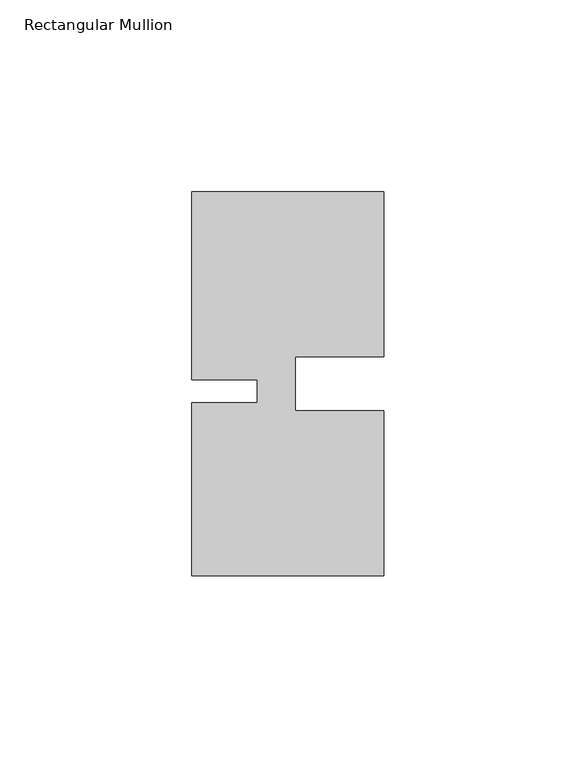
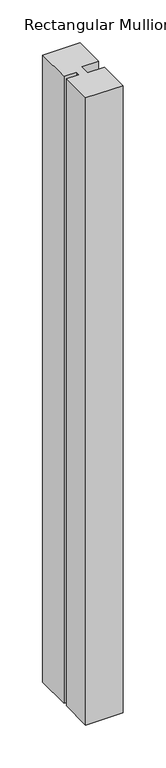
"""IFC4 building model written with IfcOpenShell, lengths in millimetres: member geometry, Rectangular Mullion."""

from ifc_helpers import new_model, si_unit, frame, origin, place, context, project, spatial, polyline, outline, extrude, source, transform, mapped, element, save


def rectangular_mullion_173e5ce8(model_context):
    return source(origin(), model_context, "Body", "SweptSolid", [
        extrude(outline(polyline([(-23.0000341, -5.000031), (-4.2e-06, -5.0000287), (0.0, -48.0000271), (-50.0, -48.000032), (-50.0000044, -3.000032), (-33.0004661, -3.0000303), (-33.0004667, 2.999987), (-50.000005, 2.9999853), (-50.0000098, 51.999968), (-3.44e-05, 51.999968), (-3.44e-05, 8.9999707), (-23.0000354, 8.9999684), (-23.0000341, -5.000031)])), frame((0.0, 0.0, -890.7159898), z_axis=(0.0, 0.0, 1.0), x_axis=(1.0, 0.0, 0.0)), (0.0, 0.0, 1.0), 890.7159898),
    ])


if __name__ == "__main__":
    model = new_model("IFC4")
    model_context = context("Model", 3, world=origin())
    ifc_project = project(units=[si_unit("LENGTHUNIT", "METRE", prefix="MILLI")], contexts=[model_context])
    site = spatial("IfcSite", under=ifc_project)
    building = spatial("IfcBuilding", under=site)
    placement = place(None, origin())
    rectangular_mullion_shape = rectangular_mullion_173e5ce8(model_context)
    element("IfcMember", 1, ObjectType="Rectangular Mullion", at=placement, inside=building, context=model_context, shape_type="MappedRepresentation", body=[
        mapped(rectangular_mullion_shape, transform((0.0, 0.0, 0.0), x_axis=(1.0, 0.0, 0.0), y_axis=(0.0, 1.0, 0.0), z_axis=(0.0, 0.0, 1.0))),
    ])
    save(model, "model.ifc")
